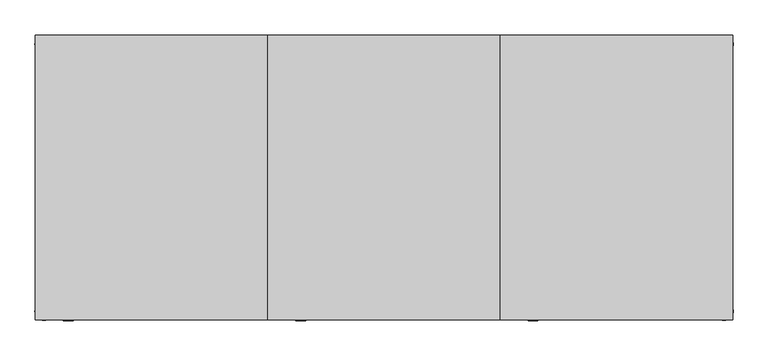
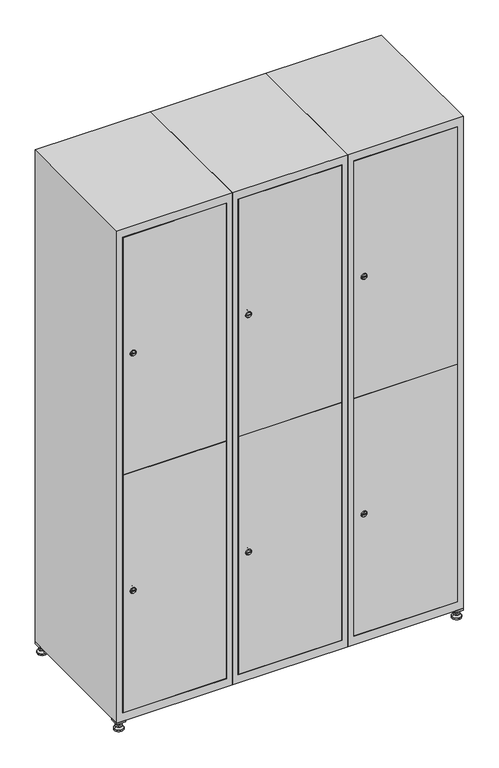
"""IFC4 building model written with IfcOpenShell, lengths in millimetres: furniture geometry."""

from ifc_helpers import new_model, si_unit, point, frame, frame_2d, origin, origin_with_axes, place, context, project, spatial, polyline, circle_curve, trimmed, segment, composite_curve, outline, extrude, faceted_brep, source, transform, mapped, element, save
from ifc_brep_helpers import plane_surface, revolved_surface, advanced_brep


def furniture_a980fc0e(model_context):
    return source(origin(), model_context, "Body", "SolidModel", [
        extrude(outline(polyline([(1000.0, 245.0), (1000.0, 215.0), (970.0, 215.0), (970.0, 245.0), (1000.0, 245.0)]), holes=[polyline([(998.0, 243.0), (972.0, 243.0), (972.0, 217.0), (998.0, 217.0), (998.0, 243.0)])]), frame((0.0, 0.0, 28.5), z_axis=(0.0, 0.0, 1.0), x_axis=(1.0, 0.0, 0.0)), (0.0, 0.0, 1.0), 6.5),
        extrude(outline(polyline([(970.0, -245.0), (970.0, -215.0), (1000.0, -215.0), (1000.0, -245.0), (970.0, -245.0)]), holes=[polyline([(972.0, -243.0), (998.0, -243.0), (998.0, -217.0), (972.0, -217.0), (972.0, -243.0)])]), frame((0.0, 0.0, 28.5), z_axis=(0.0, 0.0, 1.0), x_axis=(1.0, 0.0, 0.0)), (0.0, 0.0, 1.0), 6.5),
        extrude(outline(polyline([(-170.0, 245.0), (-170.0, 215.0), (-200.0, 215.0), (-200.0, 245.0), (-170.0, 245.0)]), holes=[polyline([(-172.0, 243.0), (-198.0, 243.0), (-198.0, 217.0), (-172.0, 217.0), (-172.0, 243.0)])]), frame((0.0, 0.0, 28.5), z_axis=(0.0, 0.0, 1.0), x_axis=(1.0, 0.0, 0.0)), (0.0, 0.0, 1.0), 6.5),
        extrude(outline(polyline([(-170.0, -215.0), (-170.0, -245.0), (-200.0, -245.0), (-200.0, -215.0), (-170.0, -215.0)]), holes=[polyline([(-198.0, -243.0), (-172.0, -243.0), (-172.0, -217.0), (-198.0, -217.0), (-198.0, -243.0)])]), frame((0.0, 0.0, 28.5), z_axis=(0.0, 0.0, 1.0), x_axis=(1.0, 0.0, 0.0)), (0.0, 0.0, 1.0), 6.5),
        extrude(outline(composite_curve([segment(trimmed(circle_curve(frame_2d((-185.0, 230.0)), 5.0), [point((-180.0, 230.0))], [point((-190.0, 230.0))], False, "CARTESIAN"), True, "CONTINUOUS"), segment(trimmed(circle_curve(frame_2d((-185.0, 230.0)), 5.0), [point((-190.0, 230.0))], [point((-180.0, 230.0))], False, "CARTESIAN"), True, "CONTINUOUS")], self_intersect=False)), frame((0.0, 0.0, 19.6), z_axis=(0.0, 0.0, 1.0), x_axis=(1.0, 0.0, 0.0)), (0.0, 0.0, 1.0), 15.4),
        extrude(outline(composite_curve([segment(trimmed(circle_curve(frame_2d((-185.0, -230.0)), 5.0), [point((-180.0, -230.0))], [point((-190.0, -230.0))], False, "CARTESIAN"), True, "CONTINUOUS"), segment(trimmed(circle_curve(frame_2d((-185.0, -230.0)), 5.0), [point((-190.0, -230.0))], [point((-180.0, -230.0))], False, "CARTESIAN"), True, "CONTINUOUS")], self_intersect=False)), frame((0.0, 0.0, 19.6), z_axis=(0.0, 0.0, 1.0), x_axis=(1.0, 0.0, 0.0)), (0.0, 0.0, 1.0), 15.4),
        extrude(outline(composite_curve([segment(trimmed(circle_curve(frame_2d((985.0, 230.0)), 5.0), [point((990.0, 230.0))], [point((980.0, 230.0))], False, "CARTESIAN"), True, "CONTINUOUS"), segment(trimmed(circle_curve(frame_2d((985.0, 230.0)), 5.0), [point((980.0, 230.0))], [point((990.0, 230.0))], False, "CARTESIAN"), True, "CONTINUOUS")], self_intersect=False)), frame((0.0, 0.0, 19.6), z_axis=(0.0, 0.0, 1.0), x_axis=(1.0, 0.0, 0.0)), (0.0, 0.0, 1.0), 15.4),
        extrude(outline(polyline([(973.4529946, 230.0), (979.2264973, 240.0), (990.7735027, 240.0), (996.5470054, 230.0), (990.7735027, 220.0), (979.2264973, 220.0), (973.4529946, 230.0)])), frame((0.0, 0.0, 13.6), z_axis=(0.0, 0.0, 1.0), x_axis=(1.0, 0.0, 0.0)), (0.0, 0.0, 1.0), 6.0),
        extrude(outline(composite_curve([segment(trimmed(circle_curve(frame_2d((985.0, -230.0)), 5.0), [point((990.0, -230.0))], [point((980.0, -230.0))], False, "CARTESIAN"), True, "CONTINUOUS"), segment(trimmed(circle_curve(frame_2d((985.0, -230.0)), 5.0), [point((980.0, -230.0))], [point((990.0, -230.0))], False, "CARTESIAN"), True, "CONTINUOUS")], self_intersect=False)), frame((0.0, 0.0, 19.6), z_axis=(0.0, 0.0, 1.0), x_axis=(1.0, 0.0, 0.0)), (0.0, 0.0, 1.0), 15.4),
        extrude(outline(polyline([(973.4529946, -230.0), (979.2264973, -220.0), (990.7735027, -220.0), (996.5470054, -230.0), (990.7735027, -240.0), (979.2264973, -240.0), (973.4529946, -230.0)])), frame((0.0, 0.0, 13.6), z_axis=(0.0, 0.0, 1.0), x_axis=(1.0, 0.0, 0.0)), (0.0, 0.0, 1.0), 6.0),
        extrude(outline(composite_curve([segment(trimmed(circle_curve(frame_2d((985.0, 230.0)), 5.0), [point((990.0, 230.0))], [point((980.0, 230.0))], False, "CARTESIAN"), True, "CONTINUOUS"), segment(trimmed(circle_curve(frame_2d((985.0, 230.0)), 5.0), [point((980.0, 230.0))], [point((990.0, 230.0))], False, "CARTESIAN"), True, "CONTINUOUS")], self_intersect=False)), frame((0.0, 0.0, 12.1), z_axis=(0.0, 0.0, 1.0), x_axis=(1.0, 0.0, 0.0)), (0.0, 0.0, 1.0), 1.5),
        extrude(outline(composite_curve([segment(trimmed(circle_curve(frame_2d((985.0, -230.0)), 5.0), [point((990.0, -230.0))], [point((980.0, -230.0))], False, "CARTESIAN"), True, "CONTINUOUS"), segment(trimmed(circle_curve(frame_2d((985.0, -230.0)), 5.0), [point((980.0, -230.0))], [point((990.0, -230.0))], False, "CARTESIAN"), True, "CONTINUOUS")], self_intersect=False)), frame((0.0, 0.0, 12.1), z_axis=(0.0, 0.0, 1.0), x_axis=(1.0, 0.0, 0.0)), (0.0, 0.0, 1.0), 1.5),
        extrude(outline(polyline([(-196.5470054, 230.0), (-190.7735027, 240.0), (-179.2264973, 240.0), (-173.4529946, 230.0), (-179.2264973, 220.0), (-190.7735027, 220.0), (-196.5470054, 230.0)])), frame((0.0, 0.0, 13.6), z_axis=(0.0, 0.0, 1.0), x_axis=(1.0, 0.0, 0.0)), (0.0, 0.0, 1.0), 6.0),
        extrude(outline(polyline([(-196.5470054, -230.0), (-190.7735027, -220.0), (-179.2264973, -220.0), (-173.4529946, -230.0), (-179.2264973, -240.0), (-190.7735027, -240.0), (-196.5470054, -230.0)])), frame((0.0, 0.0, 13.6), z_axis=(0.0, 0.0, 1.0), x_axis=(1.0, 0.0, 0.0)), (0.0, 0.0, 1.0), 6.0),
        extrude(outline(composite_curve([segment(trimmed(circle_curve(frame_2d((-185.0, 230.0)), 5.0), [point((-185.0, 235.0))], [point((-185.0, 225.0))], False, "CARTESIAN"), True, "CONTINUOUS"), segment(trimmed(circle_curve(frame_2d((-185.0, 230.0)), 5.0), [point((-185.0, 225.0))], [point((-185.0, 235.0))], False, "CARTESIAN"), True, "CONTINUOUS")], self_intersect=False)), frame((0.0, 0.0, 12.1), z_axis=(0.0, 0.0, 1.0), x_axis=(1.0, 0.0, 0.0)), (0.0, 0.0, 1.0), 1.5),
        extrude(outline(composite_curve([segment(trimmed(circle_curve(frame_2d((-185.0, -230.0)), 5.0), [point((-180.0, -230.0))], [point((-190.0, -230.0))], False, "CARTESIAN"), True, "CONTINUOUS"), segment(trimmed(circle_curve(frame_2d((-185.0, -230.0)), 5.0), [point((-190.0, -230.0))], [point((-180.0, -230.0))], False, "CARTESIAN"), True, "CONTINUOUS")], self_intersect=False)), frame((0.0, 0.0, 12.1), z_axis=(0.0, 0.0, 1.0), x_axis=(1.0, 0.0, 0.0)), (0.0, 0.0, 1.0), 1.5),
        extrude(outline(composite_curve([segment(trimmed(circle_curve(frame_2d((985.0, 230.0)), 15.75), [point((1000.75, 230.0))], [point((969.25, 230.0))], False, "CARTESIAN"), True, "CONTINUOUS"), segment(trimmed(circle_curve(frame_2d((985.0, 230.0)), 15.75), [point((969.25, 230.0))], [point((1000.75, 230.0))], False, "CARTESIAN"), True, "CONTINUOUS")], self_intersect=False)), origin_with_axes(), (0.0, 0.0, 1.0), 5.1),
        extrude(outline(composite_curve([segment(trimmed(circle_curve(frame_2d((985.0, -230.0)), 15.75), [point((985.0, -214.25))], [point((985.0, -245.75))], False, "CARTESIAN"), True, "CONTINUOUS"), segment(trimmed(circle_curve(frame_2d((985.0, -230.0)), 15.75), [point((985.0, -245.75))], [point((985.0, -214.25))], False, "CARTESIAN"), True, "CONTINUOUS")], self_intersect=False)), origin_with_axes(), (0.0, 0.0, 1.0), 5.1),
        extrude(outline(composite_curve([segment(trimmed(circle_curve(frame_2d((-185.0, -230.0)), 15.75), [point((-169.25, -230.0))], [point((-200.75, -230.0))], False, "CARTESIAN"), True, "CONTINUOUS"), segment(trimmed(circle_curve(frame_2d((-185.0, -230.0)), 15.75), [point((-200.75, -230.0))], [point((-169.25, -230.0))], False, "CARTESIAN"), True, "CONTINUOUS")], self_intersect=False)), origin_with_axes(), (0.0, 0.0, 1.0), 5.1),
        extrude(outline(composite_curve([segment(trimmed(circle_curve(frame_2d((-185.0, 230.0)), 15.75), [point((-169.25, 230.0))], [point((-200.75, 230.0))], False, "CARTESIAN"), True, "CONTINUOUS"), segment(trimmed(circle_curve(frame_2d((-185.0, 230.0)), 15.75), [point((-200.75, 230.0))], [point((-169.25, 230.0))], False, "CARTESIAN"), True, "CONTINUOUS")], self_intersect=False)), origin_with_axes(), (0.0, 0.0, 1.0), 5.1),
        advanced_brep(
        [(-185.0, 245.75, 5.1), (-185.0, 214.25, 5.1), (-185.0, 239.5, 12.1), (-185.0, 220.5, 12.1)],
        [
            (0, 1, circle_curve(frame((-185.0, 230.0, 5.1), z_axis=(0.0, 0.0, -1.0), x_axis=(0.0, 1.0, 0.0)), 15.75)),
            (1, 0, circle_curve(frame((-185.0, 230.0, 5.1), z_axis=(0.0, 0.0, -1.0), x_axis=(0.0, -1.0, 0.0)), 15.75)),
            (2, 3, circle_curve(frame((-185.0, 230.0, 12.1), z_axis=(0.0, 0.0, 1.0), x_axis=(0.0, -1.0, 0.0)), 9.5)),
            (3, 2, circle_curve(frame((-185.0, 230.0, 12.1), z_axis=(0.0, 0.0, 1.0), x_axis=(0.0, 1.0, 0.0)), 9.5)),
            (3, 1),
            (0, 2),
        ],
        [
            plane_surface(frame((-185.0, 230.0, 5.1), z_axis=(0.0, 0.0, -1.0), x_axis=(1.0, 0.0, 0.0))),
            plane_surface(frame((-185.0, 230.0, 12.1), z_axis=(0.0, 0.0, 1.0), x_axis=(1.0, 0.0, 0.0))),
            revolved_surface(polyline([(-185.0, 220.5, 12.099999999999998), (-185.0, 214.25, 5.099999999999998)]), (-185.0, 230.0, 22.74), (0.0, 0.0, -1.0)),
            revolved_surface(polyline([(-185.0, 239.5, 12.099999999999998), (-185.0, 245.75, 5.099999999999998)]), (-185.0, 230.0, 22.74), (0.0, 0.0, -1.0)),
        ],
        [
            (0, [[1, 2]]),
            (1, [[3, 4]]),
            (2, [[-4, 5, -1, 6]]),
            (3, [[-3, -6, -2, -5]]),
        ],
    ),
        advanced_brep(
        [(985.0, 245.75, 5.1), (985.0, 214.25, 5.1), (985.0, 239.5, 12.1), (985.0, 220.5, 12.1)],
        [
            (0, 1, circle_curve(frame((985.0, 230.0, 5.1), z_axis=(0.0, 0.0, -1.0), x_axis=(0.0, 1.0, 0.0)), 15.75)),
            (1, 0, circle_curve(frame((985.0, 230.0, 5.1), z_axis=(0.0, 0.0, -1.0), x_axis=(0.0, -1.0, 0.0)), 15.75)),
            (2, 3, circle_curve(frame((985.0, 230.0, 12.1), z_axis=(0.0, 0.0, 1.0), x_axis=(0.0, -1.0, 0.0)), 9.5)),
            (3, 2, circle_curve(frame((985.0, 230.0, 12.1), z_axis=(0.0, 0.0, 1.0), x_axis=(0.0, 1.0, 0.0)), 9.5)),
            (3, 1),
            (0, 2),
        ],
        [
            plane_surface(frame((985.0, 230.0, 5.1), z_axis=(0.0, 0.0, -1.0), x_axis=(1.0, 0.0, 0.0))),
            plane_surface(frame((985.0, 230.0, 12.1), z_axis=(0.0, 0.0, 1.0), x_axis=(1.0, 0.0, 0.0))),
            revolved_surface(polyline([(985.0, 220.5, 12.099999999999998), (985.0, 214.25, 5.099999999999998)]), (985.0, 230.0, 22.74), (0.0, 0.0, -1.0)),
            revolved_surface(polyline([(985.0, 239.5, 12.099999999999998), (985.0, 245.75, 5.099999999999998)]), (985.0, 230.0, 22.74), (0.0, 0.0, -1.0)),
        ],
        [
            (0, [[1, 2]]),
            (1, [[3, 4]]),
            (2, [[-4, 5, -1, 6]]),
            (3, [[-3, -6, -2, -5]]),
        ],
    ),
        advanced_brep(
        [(994.5, -230.0, 12.1), (975.5, -230.0, 12.1), (1000.75, -230.0, 5.1), (969.25, -230.0, 5.1)],
        [
            (0, 1, circle_curve(frame((985.0, -230.0, 12.1), z_axis=(0.0, 0.0, 1.0), x_axis=(1.0, 0.0, 0.0)), 9.5)),
            (1, 0, circle_curve(frame((985.0, -230.0, 12.1), z_axis=(0.0, 0.0, 1.0), x_axis=(-1.0, 0.0, 0.0)), 9.5)),
            (2, 3, circle_curve(frame((985.0, -230.0, 5.1), z_axis=(0.0, 0.0, -1.0), x_axis=(-1.0, 0.0, 0.0)), 15.75)),
            (3, 2, circle_curve(frame((985.0, -230.0, 5.1), z_axis=(0.0, 0.0, -1.0), x_axis=(1.0, 0.0, 0.0)), 15.75)),
            (3, 1),
            (0, 2),
        ],
        [
            plane_surface(frame((985.0, -230.0, 12.1), z_axis=(0.0, 0.0, 1.0), x_axis=(0.0, 1.0, 0.0))),
            plane_surface(frame((985.0, -230.0, 5.1), z_axis=(0.0, 0.0, -1.0), x_axis=(0.0, 1.0, 0.0))),
            revolved_surface(polyline([(994.5, -230.0, 12.099999999999998), (1000.75, -230.0, 5.099999999999998)]), (985.0, -230.0, 22.74), (0.0, 0.0, -1.0)),
            revolved_surface(polyline([(975.5, -230.0, 12.099999999999998), (969.25, -230.0, 5.099999999999998)]), (985.0, -230.0, 22.74), (0.0, 0.0, -1.0)),
        ],
        [
            (0, [[1, 2]]),
            (1, [[3, 4]]),
            (2, [[-4, 5, -1, 6]]),
            (3, [[-3, -6, -2, -5]]),
        ],
    ),
        advanced_brep(
        [(-175.5, -230.0, 12.1), (-194.5, -230.0, 12.1), (-169.25, -230.0, 5.1), (-200.75, -230.0, 5.1)],
        [
            (0, 1, circle_curve(frame((-185.0, -230.0, 12.1), z_axis=(0.0, 0.0, 1.0), x_axis=(1.0, 0.0, 0.0)), 9.5)),
            (1, 0, circle_curve(frame((-185.0, -230.0, 12.1), z_axis=(0.0, 0.0, 1.0), x_axis=(-1.0, 0.0, 0.0)), 9.5)),
            (2, 3, circle_curve(frame((-185.0, -230.0, 5.1), z_axis=(0.0, 0.0, -1.0), x_axis=(-1.0, 0.0, 0.0)), 15.75)),
            (3, 2, circle_curve(frame((-185.0, -230.0, 5.1), z_axis=(0.0, 0.0, -1.0), x_axis=(1.0, 0.0, 0.0)), 15.75)),
            (3, 1),
            (0, 2),
        ],
        [
            plane_surface(frame((-185.0, -230.0, 12.1), z_axis=(0.0, 0.0, 1.0), x_axis=(0.0, 1.0, 0.0))),
            plane_surface(frame((-185.0, -230.0, 5.1), z_axis=(0.0, 0.0, -1.0), x_axis=(0.0, 1.0, 0.0))),
            revolved_surface(polyline([(-175.5, -230.0, 12.099999999999998), (-169.25, -230.0, 5.099999999999998)]), (-185.0, -230.0, 22.74), (0.0, 0.0, -1.0)),
            revolved_surface(polyline([(-194.5, -230.0, 12.099999999999998), (-200.75, -230.0, 5.099999999999998)]), (-185.0, -230.0, 22.74), (0.0, 0.0, -1.0)),
        ],
        [
            (0, [[1, 2]]),
            (1, [[3, 4]]),
            (2, [[-4, 5, -1, 6]]),
            (3, [[-3, -6, -2, -5]]),
        ],
    ),
        extrude(outline(composite_curve([segment(trimmed(circle_curve(frame_2d((500.6, 629.6010534)), 7.0), [point((507.6, 629.6010534))], [point((493.6, 629.6010534))], False, "CARTESIAN"), True, "CONTINUOUS"), segment(polyline([(493.6, 629.6010534), (493.6, 657.6010534)]), True, "CONTINUOUS"), segment(trimmed(circle_curve(frame_2d((500.6, 657.6010534)), 7.0), [point((493.6, 657.6010534))], [point((507.6, 657.6010534))], False, "CARTESIAN"), True, "CONTINUOUS"), segment(polyline([(507.6, 657.6010534), (507.6, 629.6010534)]), True, "CONTINUOUS")], self_intersect=False)), frame((0.0, -227.0, 0.0), z_axis=(0.0, 1.0, 0.0), x_axis=(0.0, 0.0, 1.0)), (0.0, 0.0, 1.0), 2.0),
        advanced_brep(
        [(664.9, -247.2, 500.6), (647.9, -247.2, 500.6), (651.4, -247.2, 499.35), (651.4, -247.2, 501.85), (661.4, -247.2, 501.85), (661.4, -247.2, 499.35), (666.9, -245.0, 500.6), (645.9, -245.0, 500.6), (651.4, -245.0, 501.85), (651.4, -245.0, 499.35), (661.4, -245.0, 499.35), (661.4, -245.0, 501.85)],
        [
            (0, 1, circle_curve(frame((656.4, -247.2, 500.6), z_axis=(0.0, -1.0, 0.0), x_axis=(1.0, 0.0, 0.0)), 8.5)),
            (1, 0, circle_curve(frame((656.4, -247.2, 500.6), z_axis=(0.0, -1.0, 0.0), x_axis=(-1.0, 0.0, 0.0)), 8.5)),
            (2, 3),
            (3, 4),
            (4, 5),
            (5, 2),
            (6, 7, circle_curve(frame((656.4, -245.0, 500.6), z_axis=(0.0, 1.0, 0.0), x_axis=(-1.0, 0.0, 0.0)), 10.5)),
            (7, 6, circle_curve(frame((656.4, -245.0, 500.6), z_axis=(0.0, 1.0, 0.0), x_axis=(1.0, 0.0, 0.0)), 10.5)),
            (8, 9),
            (9, 10),
            (10, 11),
            (11, 8),
            (0, 6),
            (7, 1),
            (8, 3),
            (2, 9),
            (11, 4),
            (10, 5),
        ],
        [
            plane_surface(frame((656.4, -247.2, 500.6), z_axis=(0.0, -1.0, 0.0), x_axis=(0.0, 0.0, 1.0))),
            plane_surface(frame((656.4, -245.0, 500.6), z_axis=(0.0, 1.0, 0.0), x_axis=(0.0, 0.0, 1.0))),
            revolved_surface(polyline([(664.9, -247.2, 500.6), (666.9, -245.0, 500.6)]), (656.4, -256.55, 500.6), (0.0, 1.0, 0.0)),
            revolved_surface(polyline([(647.9, -247.2, 500.6), (645.9, -245.0, 500.6)]), (656.4, -256.55, 500.6), (0.0, 1.0, 0.0)),
            plane_surface(frame((651.4, -245.0, 499.35), z_axis=(1.0, 0.0, 0.0), x_axis=(0.0, -1.0, 0.0))),
            plane_surface(frame((651.4, -245.0, 501.85), z_axis=(0.0, 0.0, -1.0), x_axis=(0.0, -1.0, 0.0))),
            plane_surface(frame((661.4, -245.0, 501.85), z_axis=(-1.0, 0.0, 0.0), x_axis=(0.0, -1.0, 0.0))),
            plane_surface(frame((661.4, -245.0, 499.35), z_axis=(0.0, 0.0, 1.0), x_axis=(0.0, -1.0, 0.0))),
        ],
        [
            (0, [[1, 2], [3, 4, 5, 6]]),
            (1, [[7, 8], [9, 10, 11, 12]]),
            (2, [[-1, 13, -8, 14]]),
            (3, [[-2, -14, -7, -13]]),
            (4, [[15, -3, 16, -9]]),
            (5, [[-15, -12, 17, -4]]),
            (6, [[-17, -11, 18, -5]]),
            (7, [[-16, -6, -18, -10]]),
        ],
    ),
        extrude(outline(composite_curve([segment(trimmed(circle_curve(frame_2d((1369.4, 629.6010534)), 7.0), [point((1376.4, 629.6010534))], [point((1362.4, 629.6010534))], False, "CARTESIAN"), True, "CONTINUOUS"), segment(polyline([(1362.4, 629.6010534), (1362.4, 657.6010534)]), True, "CONTINUOUS"), segment(trimmed(circle_curve(frame_2d((1369.4, 657.6010534)), 7.0), [point((1362.4, 657.6010534))], [point((1376.4, 657.6010534))], False, "CARTESIAN"), True, "CONTINUOUS"), segment(polyline([(1376.4, 657.6010534), (1376.4, 629.6010534)]), True, "CONTINUOUS")], self_intersect=False)), frame((0.0, -227.0, 0.0), z_axis=(0.0, 1.0, 0.0), x_axis=(0.0, 0.0, 1.0)), (0.0, 0.0, 1.0), 2.0),
        advanced_brep(
        [(664.9, -247.2, 1369.4), (647.9, -247.2, 1369.4), (651.4, -247.2, 1368.15), (651.4, -247.2, 1370.65), (661.4, -247.2, 1370.65), (661.4, -247.2, 1368.15), (666.9, -245.0, 1369.4), (645.9, -245.0, 1369.4), (651.4, -245.0, 1370.65), (651.4, -245.0, 1368.15), (661.4, -245.0, 1368.15), (661.4, -245.0, 1370.65)],
        [
            (0, 1, circle_curve(frame((656.4, -247.2, 1369.4), z_axis=(0.0, -1.0, 0.0), x_axis=(1.0, 0.0, 0.0)), 8.5)),
            (1, 0, circle_curve(frame((656.4, -247.2, 1369.4), z_axis=(0.0, -1.0, 0.0), x_axis=(-1.0, 0.0, 0.0)), 8.5)),
            (2, 3),
            (3, 4),
            (4, 5),
            (5, 2),
            (6, 7, circle_curve(frame((656.4, -245.0, 1369.4), z_axis=(0.0, 1.0, 0.0), x_axis=(-1.0, 0.0, 0.0)), 10.5)),
            (7, 6, circle_curve(frame((656.4, -245.0, 1369.4), z_axis=(0.0, 1.0, 0.0), x_axis=(1.0, 0.0, 0.0)), 10.5)),
            (8, 9),
            (9, 10),
            (10, 11),
            (11, 8),
            (0, 6),
            (7, 1),
            (8, 3),
            (2, 9),
            (11, 4),
            (10, 5),
        ],
        [
            plane_surface(frame((656.4, -247.2, 1369.4), z_axis=(0.0, -1.0, 0.0), x_axis=(0.0, 0.0, 1.0))),
            plane_surface(frame((656.4, -245.0, 1369.4), z_axis=(0.0, 1.0, 0.0), x_axis=(0.0, 0.0, 1.0))),
            revolved_surface(polyline([(664.9, -247.2, 1369.4), (666.9, -245.0, 1369.4)]), (656.4, -256.55, 1369.4), (0.0, 1.0, 0.0)),
            revolved_surface(polyline([(647.9, -247.2, 1369.4), (645.9, -245.0, 1369.4)]), (656.4, -256.55, 1369.4), (0.0, 1.0, 0.0)),
            plane_surface(frame((651.4, -245.0, 1368.15), z_axis=(1.0, 0.0, 0.0), x_axis=(0.0, -1.0, 0.0))),
            plane_surface(frame((651.4, -245.0, 1370.65), z_axis=(0.0, 0.0, -1.0), x_axis=(0.0, -1.0, 0.0))),
            plane_surface(frame((661.4, -245.0, 1370.65), z_axis=(-1.0, 0.0, 0.0), x_axis=(0.0, -1.0, 0.0))),
            plane_surface(frame((661.4, -245.0, 1368.15), z_axis=(0.0, 0.0, 1.0), x_axis=(0.0, -1.0, 0.0))),
        ],
        [
            (0, [[1, 2], [3, 4, 5, 6]]),
            (1, [[7, 8], [9, 10, 11, 12]]),
            (2, [[-1, 13, -8, 14]]),
            (3, [[-2, -14, -7, -13]]),
            (4, [[15, -3, 16, -9]]),
            (5, [[-15, -12, 17, -4]]),
            (6, [[-17, -11, 18, -5]]),
            (7, [[-16, -6, -18, -10]]),
        ],
    ),
        extrude(outline(polyline([(621.4, -245.0), (621.4, -227.0), (978.6, -227.0), (978.6, -245.0), (621.4, -245.0)])), frame((0.0, 0.0, 66.2), z_axis=(0.0, 0.0, 1.0), x_axis=(1.0, 0.0, 0.0)), (0.0, 0.0, 1.0), 868.3),
        extrude(outline(polyline([(978.6, -227.0), (978.6, -245.0), (621.4, -245.0), (621.4, -227.0), (978.6, -227.0)])), frame((0.0, 0.0, 935.5), z_axis=(0.0, 0.0, 1.0), x_axis=(1.0, 0.0, 0.0)), (0.0, 0.0, 1.0), 868.3),
        extrude(outline(polyline([(979.6, 242.0), (979.6, -227.0), (620.4, -227.0), (620.4, 242.0), (979.6, 242.0)])), frame((0.0, 0.0, 924.8), z_axis=(0.0, 0.0, 1.0), x_axis=(1.0, 0.0, 0.0)), (0.0, 0.0, 1.0), 20.4),
        faceted_brep([(1000.0, -245.0, 35.0), (1000.0, -245.0, 1835.0), (600.0, -245.0, 1835.0), (600.0, -245.0, 35.0), (979.6, -245.0, 1804.8), (979.6, -245.0, 65.2), (620.4, -245.0, 65.2), (620.4, -245.0, 1804.8), (1000.0, 245.0, 35.0), (600.0, 245.0, 35.0), (1000.0, 245.0, 1835.0), (600.0, 245.0, 1835.0), (979.6, 242.0, 1804.8), (979.6, 242.0, 65.2), (600.0, 245.0, 1804.8), (620.4, 242.0, 1804.8), (620.4, 242.0, 65.2)], [[[0, 1, 2, 3], [4, 5, 6, 7]], [[8, 0, 3, 9]], [[1, 0, 8, 10]], [[1, 10, 11, 2]], [[4, 12, 13, 5]], [[9, 3, 2, 11, 14]], [[10, 8, 9, 14, 11]], [[12, 15, 16, 13]], [[15, 7, 6, 16]], [[4, 7, 15, 12]], [[6, 5, 13, 16]]]),
        extrude(outline(composite_curve([segment(trimmed(circle_curve(frame_2d((500.6, 229.6010534)), 7.0), [point((507.6, 229.6010534))], [point((493.6, 229.6010534))], False, "CARTESIAN"), True, "CONTINUOUS"), segment(polyline([(493.6, 229.6010534), (493.6, 257.6010534)]), True, "CONTINUOUS"), segment(trimmed(circle_curve(frame_2d((500.6, 257.6010534)), 7.0), [point((493.6, 257.6010534))], [point((507.6, 257.6010534))], False, "CARTESIAN"), True, "CONTINUOUS"), segment(polyline([(507.6, 257.6010534), (507.6, 229.6010534)]), True, "CONTINUOUS")], self_intersect=False)), frame((0.0, -227.0, 0.0), z_axis=(0.0, 1.0, 0.0), x_axis=(0.0, 0.0, 1.0)), (0.0, 0.0, 1.0), 2.0),
        advanced_brep(
        [(264.9, -247.2, 500.6), (247.9, -247.2, 500.6), (251.4, -247.2, 499.35), (251.4, -247.2, 501.85), (261.4, -247.2, 501.85), (261.4, -247.2, 499.35), (266.9, -245.0, 500.6), (245.9, -245.0, 500.6), (251.4, -245.0, 501.85), (251.4, -245.0, 499.35), (261.4, -245.0, 499.35), (261.4, -245.0, 501.85)],
        [
            (0, 1, circle_curve(frame((256.4, -247.2, 500.6), z_axis=(0.0, -1.0, 0.0), x_axis=(1.0, 0.0, 0.0)), 8.5)),
            (1, 0, circle_curve(frame((256.4, -247.2, 500.6), z_axis=(0.0, -1.0, 0.0), x_axis=(-1.0, 0.0, 0.0)), 8.5)),
            (2, 3),
            (3, 4),
            (4, 5),
            (5, 2),
            (6, 7, circle_curve(frame((256.4, -245.0, 500.6), z_axis=(0.0, 1.0, 0.0), x_axis=(-1.0, 0.0, 0.0)), 10.5)),
            (7, 6, circle_curve(frame((256.4, -245.0, 500.6), z_axis=(0.0, 1.0, 0.0), x_axis=(1.0, 0.0, 0.0)), 10.5)),
            (8, 9),
            (9, 10),
            (10, 11),
            (11, 8),
            (0, 6),
            (7, 1),
            (8, 3),
            (2, 9),
            (11, 4),
            (10, 5),
        ],
        [
            plane_surface(frame((256.4, -247.2, 500.6), z_axis=(0.0, -1.0, 0.0), x_axis=(0.0, 0.0, 1.0))),
            plane_surface(frame((256.4, -245.0, 500.6), z_axis=(0.0, 1.0, 0.0), x_axis=(0.0, 0.0, 1.0))),
            revolved_surface(polyline([(264.9, -247.2, 500.6), (266.9, -245.0, 500.6)]), (256.4, -256.55, 500.6), (0.0, 1.0, 0.0)),
            revolved_surface(polyline([(247.89999999999998, -247.2, 500.6), (245.9, -245.0, 500.6)]), (256.4, -256.55, 500.6), (0.0, 1.0, 0.0)),
            plane_surface(frame((251.4, -245.0, 499.35), z_axis=(1.0, 0.0, 0.0), x_axis=(0.0, -1.0, 0.0))),
            plane_surface(frame((251.4, -245.0, 501.85), z_axis=(0.0, 0.0, -1.0), x_axis=(0.0, -1.0, 0.0))),
            plane_surface(frame((261.4, -245.0, 501.85), z_axis=(-1.0, 0.0, 0.0), x_axis=(0.0, -1.0, 0.0))),
            plane_surface(frame((261.4, -245.0, 499.35), z_axis=(0.0, 0.0, 1.0), x_axis=(0.0, -1.0, 0.0))),
        ],
        [
            (0, [[1, 2], [3, 4, 5, 6]]),
            (1, [[7, 8], [9, 10, 11, 12]]),
            (2, [[-1, 13, -8, 14]]),
            (3, [[-2, -14, -7, -13]]),
            (4, [[15, -3, 16, -9]]),
            (5, [[-15, -12, 17, -4]]),
            (6, [[-17, -11, 18, -5]]),
            (7, [[-16, -6, -18, -10]]),
        ],
    ),
        extrude(outline(composite_curve([segment(trimmed(circle_curve(frame_2d((1369.4, 229.6010534)), 7.0), [point((1376.4, 229.6010534))], [point((1362.4, 229.6010534))], False, "CARTESIAN"), True, "CONTINUOUS"), segment(polyline([(1362.4, 229.6010534), (1362.4, 257.6010534)]), True, "CONTINUOUS"), segment(trimmed(circle_curve(frame_2d((1369.4, 257.6010534)), 7.0), [point((1362.4, 257.6010534))], [point((1376.4, 257.6010534))], False, "CARTESIAN"), True, "CONTINUOUS"), segment(polyline([(1376.4, 257.6010534), (1376.4, 229.6010534)]), True, "CONTINUOUS")], self_intersect=False)), frame((0.0, -227.0, 0.0), z_axis=(0.0, 1.0, 0.0), x_axis=(0.0, 0.0, 1.0)), (0.0, 0.0, 1.0), 2.0),
        advanced_brep(
        [(264.9, -247.2, 1369.4), (247.9, -247.2, 1369.4), (251.4, -247.2, 1368.15), (251.4, -247.2, 1370.65), (261.4, -247.2, 1370.65), (261.4, -247.2, 1368.15), (266.9, -245.0, 1369.4), (245.9, -245.0, 1369.4), (251.4, -245.0, 1370.65), (251.4, -245.0, 1368.15), (261.4, -245.0, 1368.15), (261.4, -245.0, 1370.65)],
        [
            (0, 1, circle_curve(frame((256.4, -247.2, 1369.4), z_axis=(0.0, -1.0, 0.0), x_axis=(1.0, 0.0, 0.0)), 8.5)),
            (1, 0, circle_curve(frame((256.4, -247.2, 1369.4), z_axis=(0.0, -1.0, 0.0), x_axis=(-1.0, 0.0, 0.0)), 8.5)),
            (2, 3),
            (3, 4),
            (4, 5),
            (5, 2),
            (6, 7, circle_curve(frame((256.4, -245.0, 1369.4), z_axis=(0.0, 1.0, 0.0), x_axis=(-1.0, 0.0, 0.0)), 10.5)),
            (7, 6, circle_curve(frame((256.4, -245.0, 1369.4), z_axis=(0.0, 1.0, 0.0), x_axis=(1.0, 0.0, 0.0)), 10.5)),
            (8, 9),
            (9, 10),
            (10, 11),
            (11, 8),
            (0, 6),
            (7, 1),
            (8, 3),
            (2, 9),
            (11, 4),
            (10, 5),
        ],
        [
            plane_surface(frame((256.4, -247.2, 1369.4), z_axis=(0.0, -1.0, 0.0), x_axis=(0.0, 0.0, 1.0))),
            plane_surface(frame((256.4, -245.0, 1369.4), z_axis=(0.0, 1.0, 0.0), x_axis=(0.0, 0.0, 1.0))),
            revolved_surface(polyline([(264.9, -247.2, 1369.4), (266.9, -245.0, 1369.4)]), (256.4, -256.55, 1369.4), (0.0, 1.0, 0.0)),
            revolved_surface(polyline([(247.89999999999998, -247.2, 1369.4), (245.9, -245.0, 1369.4)]), (256.4, -256.55, 1369.4), (0.0, 1.0, 0.0)),
            plane_surface(frame((251.4, -245.0, 1368.15), z_axis=(1.0, 0.0, 0.0), x_axis=(0.0, -1.0, 0.0))),
            plane_surface(frame((251.4, -245.0, 1370.65), z_axis=(0.0, 0.0, -1.0), x_axis=(0.0, -1.0, 0.0))),
            plane_surface(frame((261.4, -245.0, 1370.65), z_axis=(-1.0, 0.0, 0.0), x_axis=(0.0, -1.0, 0.0))),
            plane_surface(frame((261.4, -245.0, 1368.15), z_axis=(0.0, 0.0, 1.0), x_axis=(0.0, -1.0, 0.0))),
        ],
        [
            (0, [[1, 2], [3, 4, 5, 6]]),
            (1, [[7, 8], [9, 10, 11, 12]]),
            (2, [[-1, 13, -8, 14]]),
            (3, [[-2, -14, -7, -13]]),
            (4, [[15, -3, 16, -9]]),
            (5, [[-15, -12, 17, -4]]),
            (6, [[-17, -11, 18, -5]]),
            (7, [[-16, -6, -18, -10]]),
        ],
    ),
        extrude(outline(polyline([(221.4, -245.0), (221.4, -227.0), (578.6, -227.0), (578.6, -245.0), (221.4, -245.0)])), frame((0.0, 0.0, 66.2), z_axis=(0.0, 0.0, 1.0), x_axis=(1.0, 0.0, 0.0)), (0.0, 0.0, 1.0), 868.3),
        extrude(outline(polyline([(578.6, -227.0), (578.6, -245.0), (221.4, -245.0), (221.4, -227.0), (578.6, -227.0)])), frame((0.0, 0.0, 935.5), z_axis=(0.0, 0.0, 1.0), x_axis=(1.0, 0.0, 0.0)), (0.0, 0.0, 1.0), 868.3),
        extrude(outline(polyline([(579.6, 242.0), (579.6, -227.0), (220.4, -227.0), (220.4, 242.0), (579.6, 242.0)])), frame((0.0, 0.0, 924.8), z_axis=(0.0, 0.0, 1.0), x_axis=(1.0, 0.0, 0.0)), (0.0, 0.0, 1.0), 20.4),
        faceted_brep([(600.0, -245.0, 35.0), (600.0, -245.0, 1835.0), (200.0, -245.0, 1835.0), (200.0, -245.0, 35.0), (579.6, -245.0, 1804.8), (579.6, -245.0, 65.2), (220.4, -245.0, 65.2), (220.4, -245.0, 1804.8), (600.0, 245.0, 35.0), (200.0, 245.0, 35.0), (600.0, 245.0, 1835.0), (200.0, 245.0, 1835.0), (579.6, 242.0, 1804.8), (579.6, 242.0, 65.2), (200.0, 245.0, 1804.8), (220.4, 242.0, 1804.8), (220.4, 242.0, 65.2)], [[[0, 1, 2, 3], [4, 5, 6, 7]], [[8, 0, 3, 9]], [[1, 0, 8, 10]], [[1, 10, 11, 2]], [[4, 12, 13, 5]], [[9, 3, 2, 11, 14]], [[10, 8, 9, 14, 11]], [[12, 15, 16, 13]], [[15, 7, 6, 16]], [[4, 7, 15, 12]], [[6, 5, 13, 16]]]),
        extrude(outline(composite_curve([segment(trimmed(circle_curve(frame_2d((500.6, -170.3989466)), 7.0), [point((507.6, -170.3989466))], [point((493.6, -170.3989466))], False, "CARTESIAN"), True, "CONTINUOUS"), segment(polyline([(493.6, -170.3989466), (493.6, -142.3989466)]), True, "CONTINUOUS"), segment(trimmed(circle_curve(frame_2d((500.6, -142.3989466)), 7.0), [point((493.6, -142.3989466))], [point((507.6, -142.3989466))], False, "CARTESIAN"), True, "CONTINUOUS"), segment(polyline([(507.6, -142.3989466), (507.6, -170.3989466)]), True, "CONTINUOUS")], self_intersect=False)), frame((0.0, -227.0, 0.0), z_axis=(0.0, 1.0, 0.0), x_axis=(0.0, 0.0, 1.0)), (0.0, 0.0, 1.0), 2.0),
        advanced_brep(
        [(-135.1, -247.2, 500.6), (-152.1, -247.2, 500.6), (-148.6, -247.2, 499.35), (-148.6, -247.2, 501.85), (-138.6, -247.2, 501.85), (-138.6, -247.2, 499.35), (-133.1, -245.0, 500.6), (-154.1, -245.0, 500.6), (-148.6, -245.0, 501.85), (-148.6, -245.0, 499.35), (-138.6, -245.0, 499.35), (-138.6, -245.0, 501.85)],
        [
            (0, 1, circle_curve(frame((-143.6, -247.2, 500.6), z_axis=(0.0, -1.0, 0.0), x_axis=(1.0, 0.0, 0.0)), 8.5)),
            (1, 0, circle_curve(frame((-143.6, -247.2, 500.6), z_axis=(0.0, -1.0, 0.0), x_axis=(-1.0, 0.0, 0.0)), 8.5)),
            (2, 3),
            (3, 4),
            (4, 5),
            (5, 2),
            (6, 7, circle_curve(frame((-143.6, -245.0, 500.6), z_axis=(0.0, 1.0, 0.0), x_axis=(-1.0, 0.0, 0.0)), 10.5)),
            (7, 6, circle_curve(frame((-143.6, -245.0, 500.6), z_axis=(0.0, 1.0, 0.0), x_axis=(1.0, 0.0, 0.0)), 10.5)),
            (8, 9),
            (9, 10),
            (10, 11),
            (11, 8),
            (0, 6),
            (7, 1),
            (8, 3),
            (2, 9),
            (11, 4),
            (10, 5),
        ],
        [
            plane_surface(frame((-143.6, -247.2, 500.6), z_axis=(0.0, -1.0, 0.0), x_axis=(0.0, 0.0, 1.0))),
            plane_surface(frame((-143.6, -245.0, 500.6), z_axis=(0.0, 1.0, 0.0), x_axis=(0.0, 0.0, 1.0))),
            revolved_surface(polyline([(-135.1, -247.2, 500.6), (-133.1, -245.0, 500.6)]), (-143.6, -256.55, 500.6), (0.0, 1.0, 0.0)),
            revolved_surface(polyline([(-152.1, -247.2, 500.6), (-154.1, -245.0, 500.6)]), (-143.6, -256.55, 500.6), (0.0, 1.0, 0.0)),
            plane_surface(frame((-148.6, -245.0, 499.35), z_axis=(1.0, 0.0, 0.0), x_axis=(0.0, -1.0, 0.0))),
            plane_surface(frame((-148.6, -245.0, 501.85), z_axis=(0.0, 0.0, -1.0), x_axis=(0.0, -1.0, 0.0))),
            plane_surface(frame((-138.6, -245.0, 501.85), z_axis=(-1.0, 0.0, 0.0), x_axis=(0.0, -1.0, 0.0))),
            plane_surface(frame((-138.6, -245.0, 499.35), z_axis=(0.0, 0.0, 1.0), x_axis=(0.0, -1.0, 0.0))),
        ],
        [
            (0, [[1, 2], [3, 4, 5, 6]]),
            (1, [[7, 8], [9, 10, 11, 12]]),
            (2, [[-1, 13, -8, 14]]),
            (3, [[-2, -14, -7, -13]]),
            (4, [[15, -3, 16, -9]]),
            (5, [[-15, -12, 17, -4]]),
            (6, [[-17, -11, 18, -5]]),
            (7, [[-16, -6, -18, -10]]),
        ],
    ),
        extrude(outline(composite_curve([segment(trimmed(circle_curve(frame_2d((1369.4, -170.3989466)), 7.0), [point((1376.4, -170.3989466))], [point((1362.4, -170.3989466))], False, "CARTESIAN"), True, "CONTINUOUS"), segment(polyline([(1362.4, -170.3989466), (1362.4, -142.3989466)]), True, "CONTINUOUS"), segment(trimmed(circle_curve(frame_2d((1369.4, -142.3989466)), 7.0), [point((1362.4, -142.3989466))], [point((1376.4, -142.3989466))], False, "CARTESIAN"), True, "CONTINUOUS"), segment(polyline([(1376.4, -142.3989466), (1376.4, -170.3989466)]), True, "CONTINUOUS")], self_intersect=False)), frame((0.0, -227.0, 0.0), z_axis=(0.0, 1.0, 0.0), x_axis=(0.0, 0.0, 1.0)), (0.0, 0.0, 1.0), 2.0),
        advanced_brep(
        [(-135.1, -247.2, 1369.4), (-152.1, -247.2, 1369.4), (-148.6, -247.2, 1368.15), (-148.6, -247.2, 1370.65), (-138.6, -247.2, 1370.65), (-138.6, -247.2, 1368.15), (-133.1, -245.0, 1369.4), (-154.1, -245.0, 1369.4), (-148.6, -245.0, 1370.65), (-148.6, -245.0, 1368.15), (-138.6, -245.0, 1368.15), (-138.6, -245.0, 1370.65)],
        [
            (0, 1, circle_curve(frame((-143.6, -247.2, 1369.4), z_axis=(0.0, -1.0, 0.0), x_axis=(1.0, 0.0, 0.0)), 8.5)),
            (1, 0, circle_curve(frame((-143.6, -247.2, 1369.4), z_axis=(0.0, -1.0, 0.0), x_axis=(-1.0, 0.0, 0.0)), 8.5)),
            (2, 3),
            (3, 4),
            (4, 5),
            (5, 2),
            (6, 7, circle_curve(frame((-143.6, -245.0, 1369.4), z_axis=(0.0, 1.0, 0.0), x_axis=(-1.0, 0.0, 0.0)), 10.5)),
            (7, 6, circle_curve(frame((-143.6, -245.0, 1369.4), z_axis=(0.0, 1.0, 0.0), x_axis=(1.0, 0.0, 0.0)), 10.5)),
            (8, 9),
            (9, 10),
            (10, 11),
            (11, 8),
            (0, 6),
            (7, 1),
            (8, 3),
            (2, 9),
            (11, 4),
            (10, 5),
        ],
        [
            plane_surface(frame((-143.6, -247.2, 1369.4), z_axis=(0.0, -1.0, 0.0), x_axis=(0.0, 0.0, 1.0))),
            plane_surface(frame((-143.6, -245.0, 1369.4), z_axis=(0.0, 1.0, 0.0), x_axis=(0.0, 0.0, 1.0))),
            revolved_surface(polyline([(-135.1, -247.2, 1369.4), (-133.1, -245.0, 1369.4)]), (-143.6, -256.55, 1369.4), (0.0, 1.0, 0.0)),
            revolved_surface(polyline([(-152.1, -247.2, 1369.4), (-154.1, -245.0, 1369.4)]), (-143.6, -256.55, 1369.4), (0.0, 1.0, 0.0)),
            plane_surface(frame((-148.6, -245.0, 1368.15), z_axis=(1.0, 0.0, 0.0), x_axis=(0.0, -1.0, 0.0))),
            plane_surface(frame((-148.6, -245.0, 1370.65), z_axis=(0.0, 0.0, -1.0), x_axis=(0.0, -1.0, 0.0))),
            plane_surface(frame((-138.6, -245.0, 1370.65), z_axis=(-1.0, 0.0, 0.0), x_axis=(0.0, -1.0, 0.0))),
            plane_surface(frame((-138.6, -245.0, 1368.15), z_axis=(0.0, 0.0, 1.0), x_axis=(0.0, -1.0, 0.0))),
        ],
        [
            (0, [[1, 2], [3, 4, 5, 6]]),
            (1, [[7, 8], [9, 10, 11, 12]]),
            (2, [[-1, 13, -8, 14]]),
            (3, [[-2, -14, -7, -13]]),
            (4, [[15, -3, 16, -9]]),
            (5, [[-15, -12, 17, -4]]),
            (6, [[-17, -11, 18, -5]]),
            (7, [[-16, -6, -18, -10]]),
        ],
    ),
        extrude(outline(polyline([(-178.6, -245.0), (-178.6, -227.0), (178.6, -227.0), (178.6, -245.0), (-178.6, -245.0)])), frame((0.0, 0.0, 66.2), z_axis=(0.0, 0.0, 1.0), x_axis=(1.0, 0.0, 0.0)), (0.0, 0.0, 1.0), 868.3),
        extrude(outline(polyline([(178.6, -227.0), (178.6, -245.0), (-178.6, -245.0), (-178.6, -227.0), (178.6, -227.0)])), frame((0.0, 0.0, 935.5), z_axis=(0.0, 0.0, 1.0), x_axis=(1.0, 0.0, 0.0)), (0.0, 0.0, 1.0), 868.3),
        extrude(outline(polyline([(179.6, 242.0), (179.6, -227.0), (-179.6, -227.0), (-179.6, 242.0), (179.6, 242.0)])), frame((0.0, 0.0, 924.8), z_axis=(0.0, 0.0, 1.0), x_axis=(1.0, 0.0, 0.0)), (0.0, 0.0, 1.0), 20.4),
        faceted_brep([(200.0, -245.0, 35.0), (200.0, -245.0, 1835.0), (-200.0, -245.0, 1835.0), (-200.0, -245.0, 35.0), (179.6, -245.0, 1804.8), (179.6, -245.0, 65.2), (-179.6, -245.0, 65.2), (-179.6, -245.0, 1804.8), (200.0, 245.0, 35.0), (-200.0, 245.0, 35.0), (200.0, 245.0, 1835.0), (-200.0, 245.0, 1835.0), (179.6, 242.0, 1804.8), (179.6, 242.0, 65.2), (-200.0, 245.0, 1804.8), (-179.6, 242.0, 1804.8), (-179.6, 242.0, 65.2)], [[[0, 1, 2, 3], [4, 5, 6, 7]], [[8, 0, 3, 9]], [[1, 0, 8, 10]], [[1, 10, 11, 2]], [[4, 12, 13, 5]], [[9, 3, 2, 11, 14]], [[10, 8, 9, 14, 11]], [[12, 15, 16, 13]], [[15, 7, 6, 16]], [[4, 7, 15, 12]], [[6, 5, 13, 16]]]),
    ])


if __name__ == "__main__":
    model = new_model("IFC4")
    model_context = context("Model", 3, world=origin())
    ifc_project = project(units=[si_unit("LENGTHUNIT", "METRE", prefix="MILLI")], contexts=[model_context])
    site = spatial("IfcSite", under=ifc_project)
    building = spatial("IfcBuilding", under=site)
    placement = place(None, origin())
    furniture_shape = furniture_a980fc0e(model_context)
    element("IfcFurniture", 1, at=placement, inside=building, context=model_context, shape_type="MappedRepresentation", body=[
        mapped(furniture_shape, transform((0.0, 0.0, 0.0), x_axis=(1.0, 0.0, 0.0), y_axis=(0.0, 1.0, 0.0), z_axis=(0.0, 0.0, 1.0))),
    ])
    save(model, "model.ifc")
